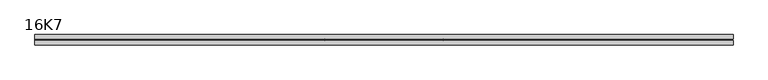
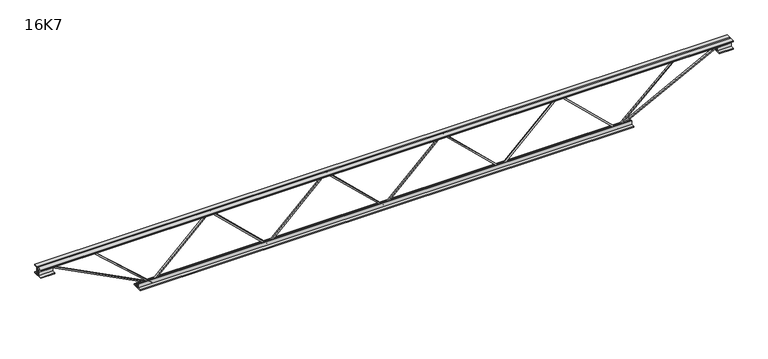
"""IFC4 building model written with IfcOpenShell, lengths in millimetres: beam geometry, 16K7."""

from ifc_helpers import new_model, si_unit, frame, origin, place, context, project, spatial, polyline, outline, extrude, source, transform, mapped, element, save


def beam_16k7_ddcdea34(model_context):
    return source(origin(), model_context, "Body", "SweptSolid", [
        extrude(outline(polyline([(-191.9, 0.0), (-201.4, 0.0), (-201.4, 5.0819014), (191.9, 415.9819014), (191.9, 418.5180986), (-201.4, 829.4180986), (-201.4, 834.5), (-191.9, 834.5), (-191.9, 833.2319014), (201.4, 422.3319014), (201.4, 412.1680986), (-191.9, 1.2680986), (-191.9, 0.0)])), frame((0.0, -4.75, 0.0), z_axis=(0.0, 1.0, 0.0), x_axis=(0.0, 0.0, 1.0)), (0.0, 0.0, 1.0), 9.5),
        extrude(outline(polyline([(-191.9, -834.5), (-201.4, -834.5), (-201.4, -829.4180986), (191.9, -418.5180986), (191.9, -415.9819014), (-201.4, -5.0819014), (-201.4, 0.0), (-191.9, 0.0), (-191.9, -1.2680986), (201.4, -412.1680986), (201.4, -422.3319014), (-191.9, -833.2319014), (-191.9, -834.5)])), frame((0.0, -4.75, 0.0), z_axis=(0.0, 1.0, 0.0), x_axis=(0.0, 0.0, 1.0)), (0.0, 0.0, 1.0), 9.5),
        extrude(outline(polyline([(-191.9, 834.5), (-201.4, 834.5), (-201.4, 839.5819014), (191.9, 1250.4819014), (191.9, 1253.0180986), (-201.4, 1663.9180986), (-201.4, 1669.0), (-191.9, 1669.0), (-191.9, 1667.7319014), (201.4, 1256.8319014), (201.4, 1246.6680986), (-191.9, 835.7680986), (-191.9, 834.5)])), frame((0.0, -4.75, 0.0), z_axis=(0.0, 1.0, 0.0), x_axis=(0.0, 0.0, 1.0)), (0.0, 0.0, 1.0), 9.5),
        extrude(outline(polyline([(-191.9, -1669.0), (-201.4, -1669.0), (-201.4, -1663.9180986), (191.9, -1253.0180986), (191.9, -1250.4819014), (-201.4, -839.5819014), (-201.4, -834.5), (-191.9, -834.5), (-191.9, -835.7680986), (201.4, -1246.6680986), (201.4, -1256.8319014), (-191.9, -1667.7319014), (-191.9, -1669.0)])), frame((0.0, -4.75, 0.0), z_axis=(0.0, 1.0, 0.0), x_axis=(0.0, 0.0, 1.0)), (0.0, 0.0, 1.0), 9.5),
        extrude(outline(polyline([(4.75, 203.0), (36.75, 203.0), (36.75, 196.5), (11.25, 196.5), (11.25, 171.0), (4.75, 171.0), (4.75, 203.0)])), frame((-2481.0, 0.0, 0.0), z_axis=(1.0, 0.0, 0.0), x_axis=(0.0, 1.0, 0.0)), (0.0, 0.0, 1.0), 4962.0),
        extrude(outline(polyline([(-4.75, 203.0), (-4.75, 171.0), (-11.25, 171.0), (-11.25, 196.5), (-36.75, 196.5), (-36.75, 203.0), (-4.75, 203.0)])), frame((-2481.0, 0.0, 0.0), z_axis=(1.0, 0.0, 0.0), x_axis=(0.0, 1.0, 0.0)), (0.0, 0.0, 1.0), 4962.0),
        extrude(outline(polyline([(-4.75, 139.5), (-36.75, 139.5), (-36.75, 146.0), (-11.25, 146.0), (-11.25, 171.0), (-4.75, 171.0), (-4.75, 139.5)])), frame((-2481.0, 0.0, 0.0), z_axis=(1.0, 0.0, 0.0), x_axis=(0.0, 1.0, 0.0)), (0.0, 0.0, 1.0), 100.0),
        extrude(outline(polyline([(36.75, 139.5), (4.75, 139.5), (4.75, 171.0), (11.25, 171.0), (11.25, 146.0), (36.75, 146.0), (36.75, 139.5)])), frame((-2481.0, 0.0, 0.0), z_axis=(1.0, 0.0, 0.0), x_axis=(0.0, 1.0, 0.0)), (0.0, 0.0, 1.0), 100.0),
        extrude(outline(polyline([(4.75, 139.5), (4.75, 171.0), (11.25, 171.0), (11.25, 146.0), (36.75, 146.0), (36.75, 139.5), (4.75, 139.5)])), frame((2381.0, 0.0, 0.0), z_axis=(1.0, 0.0, 0.0), x_axis=(0.0, 1.0, 0.0)), (0.0, 0.0, 1.0), 100.0),
        extrude(outline(polyline([(-4.75, 139.5), (-36.75, 139.5), (-36.75, 146.0), (-11.25, 146.0), (-11.25, 171.0), (-4.75, 171.0), (-4.75, 139.5)])), frame((2381.0, 0.0, 0.0), z_axis=(1.0, 0.0, 0.0), x_axis=(0.0, 1.0, 0.0)), (0.0, 0.0, 1.0), 100.0),
        extrude(outline(polyline([(4.75, -203.0), (4.75, -171.0), (11.25, -171.0), (11.25, -196.5), (36.75, -196.5), (36.75, -203.0), (4.75, -203.0)])), frame((-1769.0, 0.0, 0.0), z_axis=(1.0, 0.0, 0.0), x_axis=(0.0, 1.0, 0.0)), (0.0, 0.0, 1.0), 3538.0),
        extrude(outline(polyline([(-4.75, -203.0), (-36.75, -203.0), (-36.75, -196.5), (-11.25, -196.5), (-11.25, -171.0), (-4.75, -171.0), (-4.75, -203.0)])), frame((-1769.0, 0.0, 0.0), z_axis=(1.0, 0.0, 0.0), x_axis=(0.0, 1.0, 0.0)), (0.0, 0.0, 1.0), 3538.0),
        extrude(outline(polyline([(-200.8705467, -1671.1793315), (-192.4294533, -1666.8206685), (175.75, -2379.8460208), (175.75, -2481.0), (166.25, -2481.0), (166.25, -2382.1539792), (-200.8705467, -1671.1793315)])), frame((0.0, -4.75, 0.0), z_axis=(0.0, 1.0, 0.0), x_axis=(0.0, 0.0, 1.0)), (0.0, 0.0, 1.0), 9.5),
        extrude(outline(polyline([(188.7, -2106.2071429), (179.2, -2106.2071429), (179.2, -2095.3247172), (-200.1866742, -1672.170873), (-193.1133258, -1665.829127), (188.7, -2091.6895685), (188.7, -2106.2071429)])), frame((0.0, -4.75, 0.0), z_axis=(0.0, 1.0, 0.0), x_axis=(0.0, 0.0, 1.0)), (0.0, 0.0, 1.0), 9.5),
        extrude(outline(polyline([(0.0, -9.5), (0.0, 0.0), (801.3179909, 0.0), (801.3179909, -9.5), (0.0, -9.5)])), frame((2383.1793315, -4.75, 166.7794533), z_axis=(-0.4588066213244958, 0.0, 0.888536146832981), x_axis=(-0.888536146832981, 0.0, -0.4588066213244958)), (0.0, 0.0, 1.0), 9.5),
        extrude(outline(polyline([(0.0, -9.5), (0.0, 0.0), (584.0421975, 0.0), (584.0421975, -9.5), (0.0, -9.5)])), frame((2103.9629844, -4.75, 193.1384723), z_axis=(-0.6734102462255059, 0.0, 0.739268990475391), x_axis=(-0.739268990475391, 0.0, -0.6734102462255059)), (0.0, 0.0, 1.0), 9.5),
    ])


if __name__ == "__main__":
    model = new_model("IFC4")
    model_context = context("Model", 3, world=origin())
    ifc_project = project(units=[si_unit("LENGTHUNIT", "METRE", prefix="MILLI")], contexts=[model_context])
    site = spatial("IfcSite", under=ifc_project)
    building = spatial("IfcBuilding", under=site)
    placement = place(None, origin())
    beam_16k7_shape = beam_16k7_ddcdea34(model_context)
    element("IfcBeam", 1, ObjectType="16K7", at=placement, inside=building, context=model_context, shape_type="MappedRepresentation", body=[
        mapped(beam_16k7_shape, transform((0.0, 0.0, 0.0), x_axis=(1.0, 0.0, 0.0), y_axis=(0.0, 1.0, 0.0), z_axis=(0.0, 0.0, 1.0))),
    ])
    save(model, "model.ifc")
